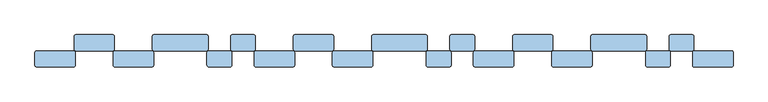
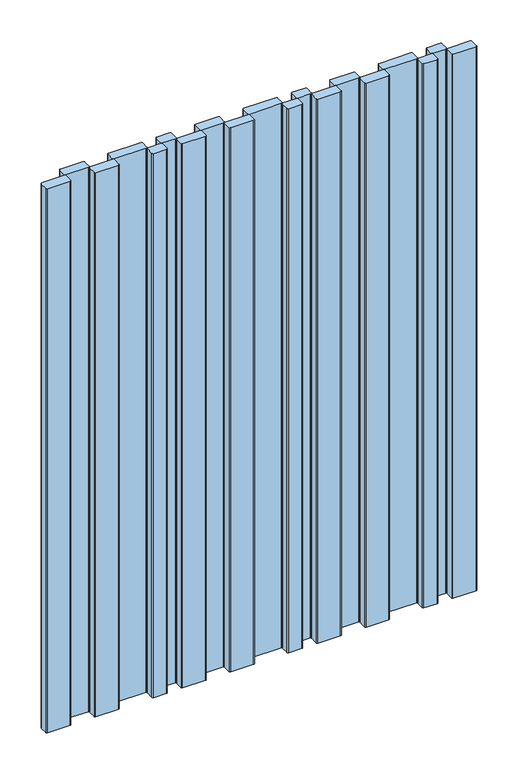
"""IFC4 building model written with IfcOpenShell, lengths in millimetres: window geometry."""

import ifcopenshell
import ifcopenshell.guid

model = None  # the IFC model being written
_history = None  # IfcOwnerHistory: only IFC2X3 demands one
_inside = {}  # id of a spatial element -> (the spatial element, [elements in it])
_under = {}  # id of a project, library or spatial element -> (it, [spatial elements below it])
_declared = {}  # id of a project -> (the project, [libraries it declares])
_typed = {}  # id of a type object -> (the type object, [elements of that type])
_made_of = {}  # id of a material, layer set ... -> (it, [elements and type objects made of it])


def new_model(schema):
    """Start an empty IFC model of exactly this schema.

    Asked for "IFC4X3", IfcOpenShell would pick the latest addendum, in which some entities
    have other attributes; the version numbers below select the first issue.
    IFC2X3 requires an IfcOwnerHistory on every rooted entity: one is made here for all.
    """
    global model, _history
    if schema == "IFC4X3":
        model = ifcopenshell.file(schema_version=(4, 3, 0, 0))
    else:
        model = ifcopenshell.file(schema=schema)
    _inside.clear()
    _under.clear()
    _declared.clear()
    _typed.clear()
    _made_of.clear()
    _history = None
    if model.schema == "IFC2X3":
        org = make("IfcOrganization", Name="unknown")
        user = make(
            "IfcPersonAndOrganization",
            ThePerson=make("IfcPerson", FamilyName="unknown"),
            TheOrganization=org,
        )
        app = make(
            "IfcApplication",
            ApplicationDeveloper=org,
            Version="unknown",
            ApplicationFullName="unknown",
            ApplicationIdentifier="unknown",
        )
        _history = make(
            "IfcOwnerHistory",
            OwningUser=user,
            OwningApplication=app,
            ChangeAction="ADDED",
            CreationDate=0,
        )
    return model


def make(cls, **values):
    """One entity of the class cls with the attributes given. An attribute that is None is left unset."""
    return model.create_entity(
        cls, **{name: value for name, value in values.items() if value is not None}
    )


def rooted(cls, **values):
    """An entity with a GlobalId (a new one), such as an element, a storey or a relation."""
    return make(cls, GlobalId=ifcopenshell.guid.new(), OwnerHistory=_history, **values)


def si_unit(unit_type, name, prefix=None):
    """IfcSIUnit, for example si_unit("LENGTHUNIT", "METRE", prefix="MILLI")."""
    return make("IfcSIUnit", UnitType=unit_type, Prefix=prefix, Name=name)


def assignment(units):
    """IfcUnitAssignment: the units of a project."""
    return None if units is None else make("IfcUnitAssignment", Units=units)


def point(xyz):
    """IfcCartesianPoint."""
    return None if xyz is None else make("IfcCartesianPoint", Coordinates=xyz)


def direction(xyz):
    """IfcDirection."""
    return None if xyz is None else make("IfcDirection", DirectionRatios=xyz)


def frame(location, z_axis=None, x_axis=None):
    """IfcAxis2Placement3D, a coordinate frame: its origin and axes. An axis left out is left unset."""
    return make(
        "IfcAxis2Placement3D",
        Location=point(location),
        Axis=direction(z_axis),
        RefDirection=direction(x_axis),
    )


def frame_2d(location, x_axis=None):
    """IfcAxis2Placement2D, a coordinate frame in the plane: its origin and x axis."""
    return make(
        "IfcAxis2Placement2D", Location=point(location), RefDirection=direction(x_axis)
    )


def origin():
    """The frame at (0, 0, 0) with its axes left unset."""
    return frame((0.0, 0.0, 0.0))


def place(relative_to, where):
    """IfcLocalPlacement: puts the frame where relative to a parent placement (None: the world)."""
    return make(
        "IfcLocalPlacement", PlacementRelTo=relative_to, RelativePlacement=where
    )


def context(
    kind, dimensions, precision=None, world=None, true_north=None, identifier=None
):
    """IfcGeometricRepresentationContext, for example the 3D "Model" context."""
    return make(
        "IfcGeometricRepresentationContext",
        ContextIdentifier=identifier,
        ContextType=kind,
        CoordinateSpaceDimension=dimensions,
        Precision=precision,
        WorldCoordinateSystem=world,
        TrueNorth=true_north,
    )


def project(units=None, contexts=None):
    """IfcProject with its units and contexts."""
    return rooted(
        "IfcProject",
        Name="project",
        RepresentationContexts=contexts,
        UnitsInContext=assignment(units),
    )


def spatial(cls, under=None, at=None, **own):
    """A site, building, storey or space (cls), placed at a placement, below another one or the project."""
    s = rooted(cls, ObjectPlacement=at, **own)
    if under is not None:
        _under.setdefault(under.id(), (under, []))[1].append(s)
    return s


def polyline(points):
    """IfcPolyline through the points."""
    return make("IfcPolyline", Points=[point(p) for p in points])


def circle_curve(where, radius):
    """IfcCircle in the frame where."""
    return make("IfcCircle", Position=where, Radius=radius)


def trimmed(basis, trim1, trim2, sense, master):
    """IfcTrimmedCurve: the piece of a basis curve between two trims."""
    return make(
        "IfcTrimmedCurve",
        BasisCurve=basis,
        Trim1=trim1,
        Trim2=trim2,
        SenseAgreement=sense,
        MasterRepresentation=master,
    )


def segment(curve, same_sense, transition):
    """IfcCompositeCurveSegment."""
    return make(
        "IfcCompositeCurveSegment",
        Transition=transition,
        SameSense=same_sense,
        ParentCurve=curve,
    )


def composite_curve(segments, self_intersect=None):
    """IfcCompositeCurve: segments joined end to end."""
    return make("IfcCompositeCurve", Segments=segments, SelfIntersect=self_intersect)


def outline(outer, holes=None, kind="AREA"):
    """IfcArbitraryClosedProfileDef: a profile drawn as a closed curve; with holes, ...WithVoids."""
    if holes is None:
        return make("IfcArbitraryClosedProfileDef", ProfileType=kind, OuterCurve=outer)
    return make(
        "IfcArbitraryProfileDefWithVoids",
        ProfileType=kind,
        OuterCurve=outer,
        InnerCurves=holes,
    )


def extrude(swept, where, along, depth):
    """IfcExtrudedAreaSolid: the profile swept, set in the frame where, extruded along a direction by depth."""
    return make(
        "IfcExtrudedAreaSolid",
        SweptArea=swept,
        Position=where,
        ExtrudedDirection=direction(along),
        Depth=depth,
    )


def shape(context_of_items, identifier, shape_type, items):
    """IfcShapeRepresentation: the items that make up one representation, for example the "Body"."""
    return make(
        "IfcShapeRepresentation",
        ContextOfItems=context_of_items,
        RepresentationIdentifier=identifier,
        RepresentationType=shape_type,
        Items=items,
    )


def source(mapping_origin, context_of_items, identifier, shape_type, items):
    """IfcRepresentationMap: a shape defined once, which mapped items show again and again."""
    return make(
        "IfcRepresentationMap",
        MappingOrigin=mapping_origin,
        MappedRepresentation=shape(context_of_items, identifier, shape_type, items),
    )


def transform(
    local_origin,
    x_axis=None,
    y_axis=None,
    z_axis=None,
    scale=None,
    scale2=None,
    scale3=None,
    uniform=True,
):
    """IfcCartesianTransformationOperator3D, or its non-uniform kind. x_axis, y_axis, z_axis: its Axis1, 2, 3."""
    if uniform:
        return make(
            "IfcCartesianTransformationOperator3D",
            Axis1=direction(x_axis),
            Axis2=direction(y_axis),
            LocalOrigin=point(local_origin),
            Scale=scale,
            Axis3=direction(z_axis),
        )
    return make(
        "IfcCartesianTransformationOperator3DnonUniform",
        Axis1=direction(x_axis),
        Axis2=direction(y_axis),
        LocalOrigin=point(local_origin),
        Scale=scale,
        Axis3=direction(z_axis),
        Scale2=scale2,
        Scale3=scale3,
    )


def mapped(mapping_source, mapping_target):
    """IfcMappedItem: shows the shape of a source again, moved by a transform."""
    return make(
        "IfcMappedItem", MappingSource=mapping_source, MappingTarget=mapping_target
    )


def made_of(thing, what):
    """Note that an element or type object is made of a material, layer set ...; save() writes the relation."""
    if what is not None:
        _made_of.setdefault(what.id(), (what, []))[1].append(thing)
    return thing


def element(
    cls,
    number,
    at=None,
    inside=None,
    cuts=None,
    type_object=None,
    material=None,
    context=None,
    identifier="Body",
    shape_type=None,
    held_by="IfcProductDefinitionShape",
    body=None,
    shapes=None,
    **own,
):
    """One element of the class cls, such as IfcWall. Its Tag is "e" and its number.

    at: its placement. inside: the storey or other place that contains it. cuts: it is an
    opening in that element (IfcRelVoidsElement). A single representation is given by context,
    identifier, shape_type and body (its items); several are given by shapes. held_by: the class
    of the entity that holds the representations. save() writes the other relations.
    """
    e = rooted(cls, Tag="e%d" % number, ObjectPlacement=at, **own)
    if body is not None:
        shapes = [shape(context, identifier, shape_type, body)]
    if shapes is not None:
        e.Representation = make(held_by, Representations=shapes)
    if inside is not None:
        _inside.setdefault(inside.id(), (inside, []))[1].append(e)
    if cuts is not None:
        rooted(
            "IfcRelVoidsElement", RelatingBuildingElement=cuts, RelatedOpeningElement=e
        )
    if type_object is not None:
        _typed.setdefault(type_object.id(), (type_object, []))[1].append(e)
    return made_of(e, material)


def aggregate(whole, parts):
    """IfcRelAggregates: a whole, such as a stair, and the parts it consists of."""
    return rooted("IfcRelAggregates", RelatingObject=whole, RelatedObjects=parts)


def save(model, path):
    """Write the relations noted so far, then the file.

    IfcRelAggregates (storeys below a building ...), IfcRelContainedInSpatialStructure (elements
    in a storey), IfcRelDefinesByType, IfcRelAssociatesMaterial and IfcRelDeclares: one each for
    every whole, place, type object, material and project.
    """
    for whole, parts in _under.values():
        aggregate(whole, parts)
    for where, things in _inside.values():
        rooted(
            "IfcRelContainedInSpatialStructure",
            RelatedElements=things,
            RelatingStructure=where,
        )
    for kind, things in _typed.values():
        rooted("IfcRelDefinesByType", RelatedObjects=things, RelatingType=kind)
    for what, things in _made_of.values():
        rooted("IfcRelAssociatesMaterial", RelatedObjects=things, RelatingMaterial=what)
    for by, libraries in _declared.values():
        rooted("IfcRelDeclares", RelatingContext=by, RelatedDefinitions=libraries)
    model.write(path)


def window_d4aa851f(model_context):
    return source(origin(), model_context, "Body", "SweptSolid", [
        extrude(outline(composite_curve([segment(polyline([(144.0, 1.0), (144.0, 21.0)]), True, "CONTINUOUS"), segment(trimmed(circle_curve(frame_2d((147.0, 21.0)), 3.0), [point((144.0, 21.0))], [point((147.0, 24.0))], False, "CARTESIAN"), True, "CONTINUOUS"), segment(polyline([(147.0, 24.0), (206.0, 24.0)]), True, "CONTINUOUS"), segment(trimmed(circle_curve(frame_2d((206.0, 21.0)), 3.0), [point((206.0, 24.0))], [point((209.0, 21.0))], False, "CARTESIAN"), True, "CONTINUOUS"), segment(polyline([(209.0, 21.0), (209.0, 1.0)]), True, "CONTINUOUS"), segment(trimmed(circle_curve(frame_2d((206.0, 1.0)), 3.0), [point((209.0, 1.0))], [point((206.0, -2.0))], False, "CARTESIAN"), True, "CONTINUOUS"), segment(polyline([(206.0, -2.0), (147.0, -2.0)]), True, "CONTINUOUS"), segment(trimmed(circle_curve(frame_2d((147.0, 1.0)), 3.0), [point((147.0, -2.0))], [point((144.0, 1.0))], False, "CARTESIAN"), True, "CONTINUOUS")], self_intersect=False)), frame((0.0, 0.0, 100.0), z_axis=(0.0, 0.0, 1.0), x_axis=(1.0, 0.0, 0.0)), (0.0, 0.0, 1.0), 1500.0),
        extrude(outline(composite_curve([segment(polyline([(207.0, 27.0), (207.0, 47.0)]), True, "CONTINUOUS"), segment(trimmed(circle_curve(frame_2d((210.0, 47.0)), 3.0), [point((207.0, 47.0))], [point((210.0, 50.0))], False, "CARTESIAN"), True, "CONTINUOUS"), segment(polyline([(210.0, 50.0), (269.0, 50.0)]), True, "CONTINUOUS"), segment(trimmed(circle_curve(frame_2d((269.0, 47.0)), 3.0), [point((269.0, 50.0))], [point((272.0, 47.0))], False, "CARTESIAN"), True, "CONTINUOUS"), segment(polyline([(272.0, 47.0), (272.0, 27.0)]), True, "CONTINUOUS"), segment(trimmed(circle_curve(frame_2d((269.0, 27.0)), 3.0), [point((272.0, 27.0))], [point((269.0, 24.0))], False, "CARTESIAN"), True, "CONTINUOUS"), segment(polyline([(269.0, 24.0), (210.0, 24.0)]), True, "CONTINUOUS"), segment(trimmed(circle_curve(frame_2d((210.0, 27.0)), 3.0), [point((210.0, 24.0))], [point((207.0, 27.0))], False, "CARTESIAN"), True, "CONTINUOUS")], self_intersect=False)), frame((0.0, 0.0, 100.0), z_axis=(0.0, 0.0, 1.0), x_axis=(1.0, 0.0, 0.0)), (0.0, 0.0, 1.0), 1500.0),
        extrude(outline(composite_curve([segment(polyline([(270.0, 1.0), (270.0, 21.0)]), True, "CONTINUOUS"), segment(trimmed(circle_curve(frame_2d((273.0, 21.0)), 3.0), [point((270.0, 21.0))], [point((273.0, 24.0))], False, "CARTESIAN"), True, "CONTINUOUS"), segment(polyline([(273.0, 24.0), (332.0, 24.0)]), True, "CONTINUOUS"), segment(trimmed(circle_curve(frame_2d((332.0, 21.0)), 3.0), [point((332.0, 24.0))], [point((335.0, 21.0))], False, "CARTESIAN"), True, "CONTINUOUS"), segment(polyline([(335.0, 21.0), (335.0, 1.0)]), True, "CONTINUOUS"), segment(trimmed(circle_curve(frame_2d((332.0, 1.0)), 3.0), [point((335.0, 1.0))], [point((332.0, -2.0))], False, "CARTESIAN"), True, "CONTINUOUS"), segment(polyline([(332.0, -2.0), (273.0, -2.0)]), True, "CONTINUOUS"), segment(trimmed(circle_curve(frame_2d((273.0, 1.0)), 3.0), [point((273.0, -2.0))], [point((270.0, 1.0))], False, "CARTESIAN"), True, "CONTINUOUS")], self_intersect=False)), frame((0.0, 0.0, 100.0), z_axis=(0.0, 0.0, 1.0), x_axis=(1.0, 0.0, 0.0)), (0.0, 0.0, 1.0), 1500.0),
        extrude(outline(composite_curve([segment(polyline([(333.0, 27.0), (333.0, 47.0)]), True, "CONTINUOUS"), segment(trimmed(circle_curve(frame_2d((336.0, 47.0)), 3.0), [point((333.0, 47.0))], [point((336.0, 50.0))], False, "CARTESIAN"), True, "CONTINUOUS"), segment(polyline([(336.0, 50.0), (419.9988192, 50.0)]), True, "CONTINUOUS"), segment(trimmed(circle_curve(frame_2d((419.9988192, 47.0)), 3.0), [point((419.9988192, 50.0))], [point((422.9988192, 47.0))], False, "CARTESIAN"), True, "CONTINUOUS"), segment(polyline([(422.9988192, 47.0), (422.9988192, 27.0)]), True, "CONTINUOUS"), segment(trimmed(circle_curve(frame_2d((419.9988192, 27.0)), 3.0), [point((422.9988192, 27.0))], [point((419.9988192, 24.0))], False, "CARTESIAN"), True, "CONTINUOUS"), segment(polyline([(419.9988192, 24.0), (336.0, 24.0)]), True, "CONTINUOUS"), segment(trimmed(circle_curve(frame_2d((336.0, 27.0)), 3.0), [point((336.0, 24.0))], [point((333.0, 27.0))], False, "CARTESIAN"), True, "CONTINUOUS")], self_intersect=False)), frame((0.0, 0.0, 100.0), z_axis=(0.0, 0.0, 1.0), x_axis=(1.0, 0.0, 0.0)), (0.0, 0.0, 1.0), 1500.0),
        extrude(outline(composite_curve([segment(trimmed(circle_curve(frame_2d((495.9820433, 27.0)), 3.0), [point((498.9820433, 27.0))], [point((495.9820433, 24.0))], False, "CARTESIAN"), True, "CONTINUOUS"), segment(polyline([(495.9820433, 24.0), (461.9904313, 24.0)]), True, "CONTINUOUS"), segment(trimmed(circle_curve(frame_2d((461.9904313, 27.0)), 3.0), [point((461.9904313, 24.0))], [point((458.9904313, 27.0))], False, "CARTESIAN"), True, "CONTINUOUS"), segment(polyline([(458.9904313, 27.0), (458.9904313, 47.0)]), True, "CONTINUOUS"), segment(trimmed(circle_curve(frame_2d((461.9904313, 47.0)), 3.0), [point((458.9904313, 47.0))], [point((461.9904313, 50.0))], False, "CARTESIAN"), True, "CONTINUOUS"), segment(polyline([(461.9904313, 50.0), (495.9820433, 50.0)]), True, "CONTINUOUS"), segment(trimmed(circle_curve(frame_2d((495.9820433, 47.0)), 3.0), [point((495.9820433, 50.0))], [point((498.9820433, 47.0))], False, "CARTESIAN"), True, "CONTINUOUS"), segment(polyline([(498.9820433, 47.0), (498.9820433, 27.0)]), True, "CONTINUOUS")], self_intersect=False)), frame((0.0, 0.0, 100.0), z_axis=(0.0, 0.0, 1.0), x_axis=(1.0, 0.0, 0.0)), (0.0, 0.0, 1.0), 1500.0),
        extrude(outline(composite_curve([segment(trimmed(circle_curve(frame_2d((457.9904313, 1.0)), 3.0), [point((460.9904313, 1.0))], [point((457.9904313, -2.0))], False, "CARTESIAN"), True, "CONTINUOUS"), segment(polyline([(457.9904313, -2.0), (423.9988192, -2.0)]), True, "CONTINUOUS"), segment(trimmed(circle_curve(frame_2d((423.9988192, 1.0)), 3.0), [point((423.9988192, -2.0))], [point((420.9988192, 1.0))], False, "CARTESIAN"), True, "CONTINUOUS"), segment(polyline([(420.9988192, 1.0), (420.9988192, 21.0)]), True, "CONTINUOUS"), segment(trimmed(circle_curve(frame_2d((423.9988192, 21.0)), 3.0), [point((420.9988192, 21.0))], [point((423.9988192, 24.0))], False, "CARTESIAN"), True, "CONTINUOUS"), segment(polyline([(423.9988192, 24.0), (457.9904313, 24.0)]), True, "CONTINUOUS"), segment(trimmed(circle_curve(frame_2d((457.9904313, 21.0)), 3.0), [point((457.9904313, 24.0))], [point((460.9904313, 21.0))], False, "CARTESIAN"), True, "CONTINUOUS"), segment(polyline([(460.9904313, 21.0), (460.9904313, 1.0)]), True, "CONTINUOUS")], self_intersect=False)), frame((0.0, 0.0, 100.0), z_axis=(0.0, 0.0, 1.0), x_axis=(1.0, 0.0, 0.0)), (0.0, 0.0, 1.0), 1500.0),
        extrude(outline(composite_curve([segment(polyline([(-209.0, 1.0), (-209.0, 21.0)]), True, "CONTINUOUS"), segment(trimmed(circle_curve(frame_2d((-206.0, 21.0)), 3.0), [point((-209.0, 21.0))], [point((-206.0, 24.0))], False, "CARTESIAN"), True, "CONTINUOUS"), segment(polyline([(-206.0, 24.0), (-147.0, 24.0)]), True, "CONTINUOUS"), segment(trimmed(circle_curve(frame_2d((-147.0, 21.0)), 3.0), [point((-147.0, 24.0))], [point((-144.0, 21.0))], False, "CARTESIAN"), True, "CONTINUOUS"), segment(polyline([(-144.0, 21.0), (-144.0, 1.0)]), True, "CONTINUOUS"), segment(trimmed(circle_curve(frame_2d((-147.0, 1.0)), 3.0), [point((-144.0, 1.0))], [point((-147.0, -2.0))], False, "CARTESIAN"), True, "CONTINUOUS"), segment(polyline([(-147.0, -2.0), (-206.0, -2.0)]), True, "CONTINUOUS"), segment(trimmed(circle_curve(frame_2d((-206.0, 1.0)), 3.0), [point((-206.0, -2.0))], [point((-209.0, 1.0))], False, "CARTESIAN"), True, "CONTINUOUS")], self_intersect=False)), frame((0.0, 0.0, 100.0), z_axis=(0.0, 0.0, 1.0), x_axis=(1.0, 0.0, 0.0)), (0.0, 0.0, 1.0), 1500.0),
        extrude(outline(composite_curve([segment(polyline([(-146.0, 27.0), (-146.0, 47.0)]), True, "CONTINUOUS"), segment(trimmed(circle_curve(frame_2d((-143.0, 47.0)), 3.0), [point((-146.0, 47.0))], [point((-143.0, 50.0))], False, "CARTESIAN"), True, "CONTINUOUS"), segment(polyline([(-143.0, 50.0), (-84.0, 50.0)]), True, "CONTINUOUS"), segment(trimmed(circle_curve(frame_2d((-84.0, 47.0)), 3.0), [point((-84.0, 50.0))], [point((-81.0, 47.0))], False, "CARTESIAN"), True, "CONTINUOUS"), segment(polyline([(-81.0, 47.0), (-81.0, 27.0)]), True, "CONTINUOUS"), segment(trimmed(circle_curve(frame_2d((-84.0, 27.0)), 3.0), [point((-81.0, 27.0))], [point((-84.0, 24.0))], False, "CARTESIAN"), True, "CONTINUOUS"), segment(polyline([(-84.0, 24.0), (-143.0, 24.0)]), True, "CONTINUOUS"), segment(trimmed(circle_curve(frame_2d((-143.0, 27.0)), 3.0), [point((-143.0, 24.0))], [point((-146.0, 27.0))], False, "CARTESIAN"), True, "CONTINUOUS")], self_intersect=False)), frame((0.0, 0.0, 100.0), z_axis=(0.0, 0.0, 1.0), x_axis=(1.0, 0.0, 0.0)), (0.0, 0.0, 1.0), 1500.0),
        extrude(outline(composite_curve([segment(polyline([(-83.0, 1.0), (-83.0, 21.0)]), True, "CONTINUOUS"), segment(trimmed(circle_curve(frame_2d((-80.0, 21.0)), 3.0), [point((-83.0, 21.0))], [point((-80.0, 24.0))], False, "CARTESIAN"), True, "CONTINUOUS"), segment(polyline([(-80.0, 24.0), (-21.0, 24.0)]), True, "CONTINUOUS"), segment(trimmed(circle_curve(frame_2d((-21.0, 21.0)), 3.0), [point((-21.0, 24.0))], [point((-18.0, 21.0))], False, "CARTESIAN"), True, "CONTINUOUS"), segment(polyline([(-18.0, 21.0), (-18.0, 1.0)]), True, "CONTINUOUS"), segment(trimmed(circle_curve(frame_2d((-21.0, 1.0)), 3.0), [point((-18.0, 1.0))], [point((-21.0, -2.0))], False, "CARTESIAN"), True, "CONTINUOUS"), segment(polyline([(-21.0, -2.0), (-80.0, -2.0)]), True, "CONTINUOUS"), segment(trimmed(circle_curve(frame_2d((-80.0, 1.0)), 3.0), [point((-80.0, -2.0))], [point((-83.0, 1.0))], False, "CARTESIAN"), True, "CONTINUOUS")], self_intersect=False)), frame((0.0, 0.0, 100.0), z_axis=(0.0, 0.0, 1.0), x_axis=(1.0, 0.0, 0.0)), (0.0, 0.0, 1.0), 1500.0),
        extrude(outline(composite_curve([segment(polyline([(-20.0, 27.0), (-20.0, 47.0)]), True, "CONTINUOUS"), segment(trimmed(circle_curve(frame_2d((-17.0, 47.0)), 3.0), [point((-20.0, 47.0))], [point((-17.0, 50.0))], False, "CARTESIAN"), True, "CONTINUOUS"), segment(polyline([(-17.0, 50.0), (66.9988192, 50.0)]), True, "CONTINUOUS"), segment(trimmed(circle_curve(frame_2d((66.9988192, 47.0)), 3.0), [point((66.9988192, 50.0))], [point((69.9988192, 47.0))], False, "CARTESIAN"), True, "CONTINUOUS"), segment(polyline([(69.9988192, 47.0), (69.9988192, 27.0)]), True, "CONTINUOUS"), segment(trimmed(circle_curve(frame_2d((66.9988192, 27.0)), 3.0), [point((69.9988192, 27.0))], [point((66.9988192, 24.0))], False, "CARTESIAN"), True, "CONTINUOUS"), segment(polyline([(66.9988192, 24.0), (-17.0, 24.0)]), True, "CONTINUOUS"), segment(trimmed(circle_curve(frame_2d((-17.0, 27.0)), 3.0), [point((-17.0, 24.0))], [point((-20.0, 27.0))], False, "CARTESIAN"), True, "CONTINUOUS")], self_intersect=False)), frame((0.0, 0.0, 100.0), z_axis=(0.0, 0.0, 1.0), x_axis=(1.0, 0.0, 0.0)), (0.0, 0.0, 1.0), 1500.0),
        extrude(outline(composite_curve([segment(trimmed(circle_curve(frame_2d((142.9820433, 27.0)), 3.0), [point((145.9820433, 27.0))], [point((142.9820433, 24.0))], False, "CARTESIAN"), True, "CONTINUOUS"), segment(polyline([(142.9820433, 24.0), (108.9904313, 24.0)]), True, "CONTINUOUS"), segment(trimmed(circle_curve(frame_2d((108.9904313, 27.0)), 3.0), [point((108.9904313, 24.0))], [point((105.9904313, 27.0))], False, "CARTESIAN"), True, "CONTINUOUS"), segment(polyline([(105.9904313, 27.0), (105.9904313, 47.0)]), True, "CONTINUOUS"), segment(trimmed(circle_curve(frame_2d((108.9904313, 47.0)), 3.0), [point((105.9904313, 47.0))], [point((108.9904313, 50.0))], False, "CARTESIAN"), True, "CONTINUOUS"), segment(polyline([(108.9904313, 50.0), (142.9820433, 50.0)]), True, "CONTINUOUS"), segment(trimmed(circle_curve(frame_2d((142.9820433, 47.0)), 3.0), [point((142.9820433, 50.0))], [point((145.9820433, 47.0))], False, "CARTESIAN"), True, "CONTINUOUS"), segment(polyline([(145.9820433, 47.0), (145.9820433, 27.0)]), True, "CONTINUOUS")], self_intersect=False)), frame((0.0, 0.0, 100.0), z_axis=(0.0, 0.0, 1.0), x_axis=(1.0, 0.0, 0.0)), (0.0, 0.0, 1.0), 1500.0),
        extrude(outline(composite_curve([segment(trimmed(circle_curve(frame_2d((104.9904313, 1.0)), 3.0), [point((107.9904313, 1.0))], [point((104.9904313, -2.0))], False, "CARTESIAN"), True, "CONTINUOUS"), segment(polyline([(104.9904313, -2.0), (70.9988192, -2.0)]), True, "CONTINUOUS"), segment(trimmed(circle_curve(frame_2d((70.9988192, 1.0)), 3.0), [point((70.9988192, -2.0))], [point((67.9988192, 1.0))], False, "CARTESIAN"), True, "CONTINUOUS"), segment(polyline([(67.9988192, 1.0), (67.9988192, 21.0)]), True, "CONTINUOUS"), segment(trimmed(circle_curve(frame_2d((70.9988192, 21.0)), 3.0), [point((67.9988192, 21.0))], [point((70.9988192, 24.0))], False, "CARTESIAN"), True, "CONTINUOUS"), segment(polyline([(70.9988192, 24.0), (104.9904313, 24.0)]), True, "CONTINUOUS"), segment(trimmed(circle_curve(frame_2d((104.9904313, 21.0)), 3.0), [point((104.9904313, 24.0))], [point((107.9904313, 21.0))], False, "CARTESIAN"), True, "CONTINUOUS"), segment(polyline([(107.9904313, 21.0), (107.9904313, 1.0)]), True, "CONTINUOUS")], self_intersect=False)), frame((0.0, 0.0, 100.0), z_axis=(0.0, 0.0, 1.0), x_axis=(1.0, 0.0, 0.0)), (0.0, 0.0, 1.0), 1500.0),
        extrude(outline(composite_curve([segment(polyline([(497.0, 0.0), (497.0, 22.0)]), True, "CONTINUOUS"), segment(trimmed(circle_curve(frame_2d((499.0, 22.0)), 2.0), [point((497.0, 22.0))], [point((499.0, 24.0))], False, "CARTESIAN"), True, "CONTINUOUS"), segment(polyline([(499.0, 24.0), (560.0, 24.0)]), True, "CONTINUOUS"), segment(trimmed(circle_curve(frame_2d((560.0, 22.0)), 2.0), [point((560.0, 24.0))], [point((562.0, 22.0))], False, "CARTESIAN"), True, "CONTINUOUS"), segment(polyline([(562.0, 22.0), (562.0, 0.0)]), True, "CONTINUOUS"), segment(trimmed(circle_curve(frame_2d((560.0, 0.0)), 2.0), [point((562.0, 0.0))], [point((560.0, -2.0))], False, "CARTESIAN"), True, "CONTINUOUS"), segment(polyline([(560.0, -2.0), (499.0, -2.0)]), True, "CONTINUOUS"), segment(trimmed(circle_curve(frame_2d((499.0, 0.0)), 2.0), [point((499.0, -2.0))], [point((497.0, 0.0))], False, "CARTESIAN"), True, "CONTINUOUS")], self_intersect=False)), frame((0.0, 0.0, 100.0), z_axis=(0.0, 0.0, 1.0), x_axis=(1.0, 0.0, 0.0)), (0.0, 0.0, 1.0), 1500.0),
        extrude(outline(composite_curve([segment(polyline([(-562.0, 1.0), (-562.0, 21.0)]), True, "CONTINUOUS"), segment(trimmed(circle_curve(frame_2d((-559.0, 21.0)), 3.0), [point((-562.0, 21.0))], [point((-559.0, 24.0))], False, "CARTESIAN"), True, "CONTINUOUS"), segment(polyline([(-559.0, 24.0), (-500.0, 24.0)]), True, "CONTINUOUS"), segment(trimmed(circle_curve(frame_2d((-500.0, 21.0)), 3.0), [point((-500.0, 24.0))], [point((-497.0, 21.0))], False, "CARTESIAN"), True, "CONTINUOUS"), segment(polyline([(-497.0, 21.0), (-497.0, 1.0)]), True, "CONTINUOUS"), segment(trimmed(circle_curve(frame_2d((-500.0, 1.0)), 3.0), [point((-497.0, 1.0))], [point((-500.0, -2.0))], False, "CARTESIAN"), True, "CONTINUOUS"), segment(polyline([(-500.0, -2.0), (-559.0, -2.0)]), True, "CONTINUOUS"), segment(trimmed(circle_curve(frame_2d((-559.0, 1.0)), 3.0), [point((-559.0, -2.0))], [point((-562.0, 1.0))], False, "CARTESIAN"), True, "CONTINUOUS")], self_intersect=False)), frame((0.0, 0.0, 100.0), z_axis=(0.0, 0.0, 1.0), x_axis=(1.0, 0.0, 0.0)), (0.0, 0.0, 1.0), 1500.0),
        extrude(outline(composite_curve([segment(polyline([(-499.0, 27.0), (-499.0, 47.0)]), True, "CONTINUOUS"), segment(trimmed(circle_curve(frame_2d((-496.0, 47.0)), 3.0), [point((-499.0, 47.0))], [point((-496.0, 50.0))], False, "CARTESIAN"), True, "CONTINUOUS"), segment(polyline([(-496.0, 50.0), (-437.0, 50.0)]), True, "CONTINUOUS"), segment(trimmed(circle_curve(frame_2d((-437.0, 47.0)), 3.0), [point((-437.0, 50.0))], [point((-434.0, 47.0))], False, "CARTESIAN"), True, "CONTINUOUS"), segment(polyline([(-434.0, 47.0), (-434.0, 27.0)]), True, "CONTINUOUS"), segment(trimmed(circle_curve(frame_2d((-437.0, 27.0)), 3.0), [point((-434.0, 27.0))], [point((-437.0, 24.0))], False, "CARTESIAN"), True, "CONTINUOUS"), segment(polyline([(-437.0, 24.0), (-496.0, 24.0)]), True, "CONTINUOUS"), segment(trimmed(circle_curve(frame_2d((-496.0, 27.0)), 3.0), [point((-496.0, 24.0))], [point((-499.0, 27.0))], False, "CARTESIAN"), True, "CONTINUOUS")], self_intersect=False)), frame((0.0, 0.0, 100.0), z_axis=(0.0, 0.0, 1.0), x_axis=(1.0, 0.0, 0.0)), (0.0, 0.0, 1.0), 1500.0),
        extrude(outline(composite_curve([segment(polyline([(-436.0, 1.0), (-436.0, 21.0)]), True, "CONTINUOUS"), segment(trimmed(circle_curve(frame_2d((-433.0, 21.0)), 3.0), [point((-436.0, 21.0))], [point((-433.0, 24.0))], False, "CARTESIAN"), True, "CONTINUOUS"), segment(polyline([(-433.0, 24.0), (-374.0, 24.0)]), True, "CONTINUOUS"), segment(trimmed(circle_curve(frame_2d((-374.0, 21.0)), 3.0), [point((-374.0, 24.0))], [point((-371.0, 21.0))], False, "CARTESIAN"), True, "CONTINUOUS"), segment(polyline([(-371.0, 21.0), (-371.0, 1.0)]), True, "CONTINUOUS"), segment(trimmed(circle_curve(frame_2d((-374.0, 1.0)), 3.0), [point((-371.0, 1.0))], [point((-374.0, -2.0))], False, "CARTESIAN"), True, "CONTINUOUS"), segment(polyline([(-374.0, -2.0), (-433.0, -2.0)]), True, "CONTINUOUS"), segment(trimmed(circle_curve(frame_2d((-433.0, 1.0)), 3.0), [point((-433.0, -2.0))], [point((-436.0, 1.0))], False, "CARTESIAN"), True, "CONTINUOUS")], self_intersect=False)), frame((0.0, 0.0, 100.0), z_axis=(0.0, 0.0, 1.0), x_axis=(1.0, 0.0, 0.0)), (0.0, 0.0, 1.0), 1500.0),
        extrude(outline(composite_curve([segment(polyline([(-373.0, 27.0), (-373.0, 47.0)]), True, "CONTINUOUS"), segment(trimmed(circle_curve(frame_2d((-370.0, 47.0)), 3.0), [point((-373.0, 47.0))], [point((-370.0, 50.0))], False, "CARTESIAN"), True, "CONTINUOUS"), segment(polyline([(-370.0, 50.0), (-286.0011808, 50.0)]), True, "CONTINUOUS"), segment(trimmed(circle_curve(frame_2d((-286.0011808, 47.0)), 3.0), [point((-286.0011808, 50.0))], [point((-283.0011808, 47.0))], False, "CARTESIAN"), True, "CONTINUOUS"), segment(polyline([(-283.0011808, 47.0), (-283.0011808, 27.0)]), True, "CONTINUOUS"), segment(trimmed(circle_curve(frame_2d((-286.0011808, 27.0)), 3.0), [point((-283.0011808, 27.0))], [point((-286.0011808, 24.0))], False, "CARTESIAN"), True, "CONTINUOUS"), segment(polyline([(-286.0011808, 24.0), (-370.0, 24.0)]), True, "CONTINUOUS"), segment(trimmed(circle_curve(frame_2d((-370.0, 27.0)), 3.0), [point((-370.0, 24.0))], [point((-373.0, 27.0))], False, "CARTESIAN"), True, "CONTINUOUS")], self_intersect=False)), frame((0.0, 0.0, 100.0), z_axis=(0.0, 0.0, 1.0), x_axis=(1.0, 0.0, 0.0)), (0.0, 0.0, 1.0), 1500.0),
        extrude(outline(composite_curve([segment(trimmed(circle_curve(frame_2d((-210.0011808, 27.0)), 3.0), [point((-207.0011808, 27.0))], [point((-210.0011808, 24.0))], False, "CARTESIAN"), True, "CONTINUOUS"), segment(polyline([(-210.0011808, 24.0), (-244.0011808, 24.0)]), True, "CONTINUOUS"), segment(trimmed(circle_curve(frame_2d((-244.0011808, 27.0)), 3.0), [point((-244.0011808, 24.0))], [point((-247.0011808, 27.0))], False, "CARTESIAN"), True, "CONTINUOUS"), segment(polyline([(-247.0011808, 27.0), (-247.0011808, 47.0)]), True, "CONTINUOUS"), segment(trimmed(circle_curve(frame_2d((-244.0011808, 47.0)), 3.0), [point((-247.0011808, 47.0))], [point((-244.0011808, 50.0))], False, "CARTESIAN"), True, "CONTINUOUS"), segment(polyline([(-244.0011808, 50.0), (-210.0011808, 50.0)]), True, "CONTINUOUS"), segment(trimmed(circle_curve(frame_2d((-210.0011808, 47.0)), 3.0), [point((-210.0011808, 50.0))], [point((-207.0011808, 47.0))], False, "CARTESIAN"), True, "CONTINUOUS"), segment(polyline([(-207.0011808, 47.0), (-207.0011808, 27.0)]), True, "CONTINUOUS")], self_intersect=False)), frame((0.0, 0.0, 100.0), z_axis=(0.0, 0.0, 1.0), x_axis=(1.0, 0.0, 0.0)), (0.0, 0.0, 1.0), 1500.0),
        extrude(outline(composite_curve([segment(trimmed(circle_curve(frame_2d((-248.0011808, 1.0)), 3.0), [point((-245.0011808, 1.0))], [point((-248.0011808, -2.0))], False, "CARTESIAN"), True, "CONTINUOUS"), segment(polyline([(-248.0011808, -2.0), (-282.0011808, -2.0)]), True, "CONTINUOUS"), segment(trimmed(circle_curve(frame_2d((-282.0011808, 1.0)), 3.0), [point((-282.0011808, -2.0))], [point((-285.0011808, 1.0))], False, "CARTESIAN"), True, "CONTINUOUS"), segment(polyline([(-285.0011808, 1.0), (-285.0011808, 21.0)]), True, "CONTINUOUS"), segment(trimmed(circle_curve(frame_2d((-282.0011808, 21.0)), 3.0), [point((-285.0011808, 21.0))], [point((-282.0011808, 24.0))], False, "CARTESIAN"), True, "CONTINUOUS"), segment(polyline([(-282.0011808, 24.0), (-248.0011808, 24.0)]), True, "CONTINUOUS"), segment(trimmed(circle_curve(frame_2d((-248.0011808, 21.0)), 3.0), [point((-248.0011808, 24.0))], [point((-245.0011808, 21.0))], False, "CARTESIAN"), True, "CONTINUOUS"), segment(polyline([(-245.0011808, 21.0), (-245.0011808, 1.0)]), True, "CONTINUOUS")], self_intersect=False)), frame((0.0, 0.0, 100.0), z_axis=(0.0, 0.0, 1.0), x_axis=(1.0, 0.0, 0.0)), (0.0, 0.0, 1.0), 1500.0),
    ])


if __name__ == "__main__":
    model = new_model("IFC4")
    model_context = context("Model", 3, world=origin())
    ifc_project = project(units=[si_unit("LENGTHUNIT", "METRE", prefix="MILLI")], contexts=[model_context])
    site = spatial("IfcSite", under=ifc_project)
    building = spatial("IfcBuilding", under=site)
    placement = place(None, origin())
    window_shape = window_d4aa851f(model_context)
    element("IfcWindow", 1, at=placement, inside=building, context=model_context, shape_type="MappedRepresentation", body=[
        mapped(window_shape, transform((0.0, 0.0, 0.0), x_axis=(1.0, 0.0, 0.0), y_axis=(0.0, 1.0, 0.0), z_axis=(0.0, 0.0, 1.0))),
    ])
    save(model, "model.ifc")
